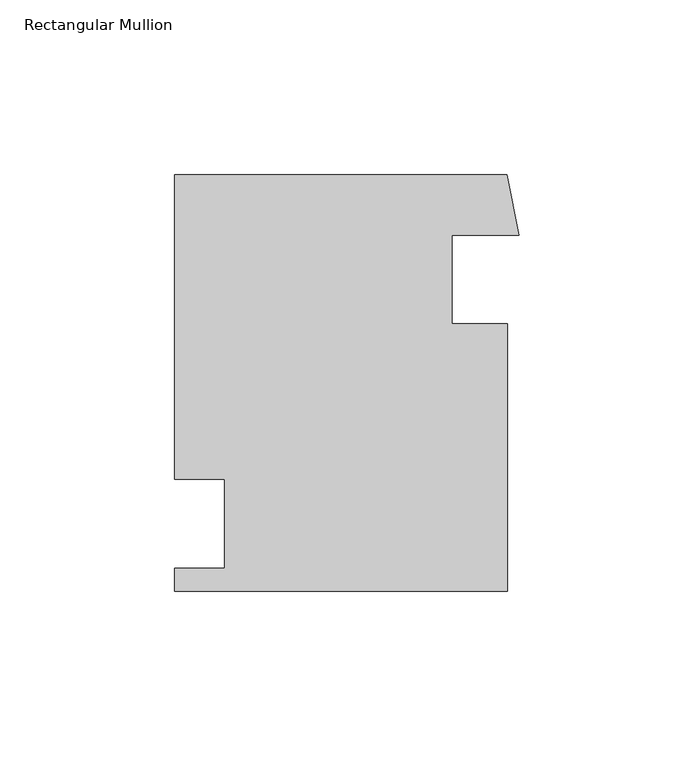
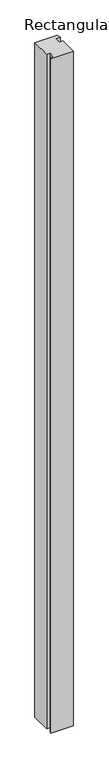
"""IFC4 building model written with IfcOpenShell, lengths in millimetres: member geometry, Rectangular Mullion."""

from ifc_helpers import new_model, si_unit, frame, origin, place, context, project, spatial, polyline, outline, extrude, source, transform, mapped, element, save


def rectangular_mullion_e0aeb659(model_context):
    return source(origin(), model_context, "Body", "SweptSolid", [
        extrude(outline(polyline([(-3.3414747, 53.65115), (0.0, 36.4299856), (-19.0663818, 36.4299856), (-19.0663818, 11.0299856), (-3.1913799, 11.0299856), (-3.1913799, -65.41135), (-98.4413799, -65.41135), (-98.4413799, -58.8327144), (-84.1538919, -58.8327144), (-84.1538919, -33.4327144), (-98.4413799, -33.4327144), (-98.4413799, 53.65115), (-3.3414747, 53.65115)])), frame((0.0, 0.0, -3048.0), z_axis=(0.0, 0.0, 1.0), x_axis=(1.0, 0.0, 0.0)), (0.0, 0.0, 1.0), 3048.0),
    ])


if __name__ == "__main__":
    model = new_model("IFC4")
    model_context = context("Model", 3, world=origin())
    ifc_project = project(units=[si_unit("LENGTHUNIT", "METRE", prefix="MILLI")], contexts=[model_context])
    site = spatial("IfcSite", under=ifc_project)
    building = spatial("IfcBuilding", under=site)
    placement = place(None, origin())
    rectangular_mullion_shape = rectangular_mullion_e0aeb659(model_context)
    element("IfcMember", 1, ObjectType="Rectangular Mullion", at=placement, inside=building, context=model_context, shape_type="MappedRepresentation", body=[
        mapped(rectangular_mullion_shape, transform((0.0, 0.0, 0.0), x_axis=(1.0, 0.0, 0.0), y_axis=(0.0, 1.0, 0.0), z_axis=(0.0, 0.0, 1.0))),
    ])
    save(model, "model.ifc")
